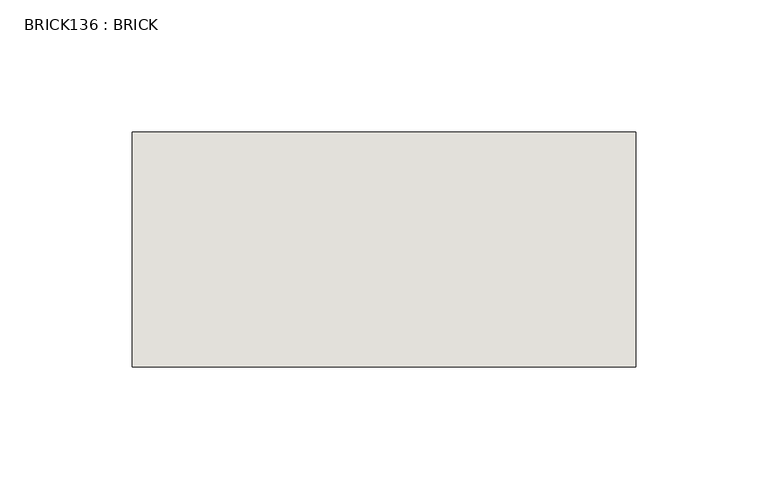
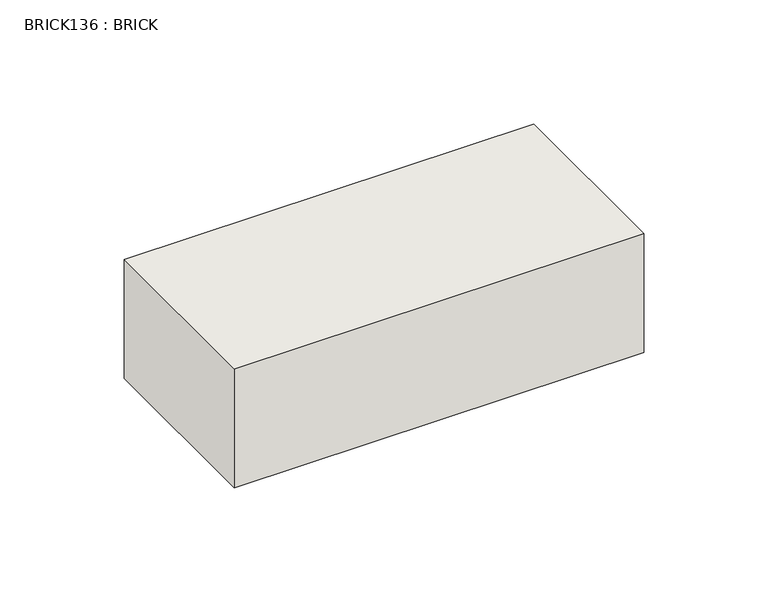
"""IFC4 building model written with IfcOpenShell, lengths in millimetres: wall geometry, BRICK136 : BRICK."""

from ifc_helpers import new_model, si_unit, frame, origin, place, context, project, spatial, polyline, outline, extrude, source, transform, mapped, element, save


def brick136_brick_43aa0043(model_context):
    return source(origin(), model_context, "Body", "SweptSolid", [
        extrude(outline(polyline([(325.7272594, 2586.2274125), (516.2272594, 2586.2274125), (516.2272594, 2497.3274125), (325.7272594, 2497.3274125), (325.7272594, 2586.2274125)])), frame((0.0, 0.0, 423.2671875), z_axis=(0.0, 0.0, 1.0), x_axis=(1.0, 0.0, 0.0)), (0.0, 0.0, 1.0), 58.4398437),
    ])


if __name__ == "__main__":
    model = new_model("IFC4")
    model_context = context("Model", 3, world=origin())
    ifc_project = project(units=[si_unit("LENGTHUNIT", "METRE", prefix="MILLI")], contexts=[model_context])
    site = spatial("IfcSite", under=ifc_project)
    building = spatial("IfcBuilding", under=site)
    placement = place(None, origin())
    brick136_brick_shape = brick136_brick_43aa0043(model_context)
    element("IfcWall", 1, ObjectType="BRICK136 : BRICK", at=placement, inside=building, context=model_context, shape_type="MappedRepresentation", body=[
        mapped(brick136_brick_shape, transform((0.0, 0.0, 0.0), x_axis=(1.0, 0.0, 0.0), y_axis=(0.0, 1.0, 0.0), z_axis=(0.0, 0.0, 1.0))),
    ])
    save(model, "model.ifc")
